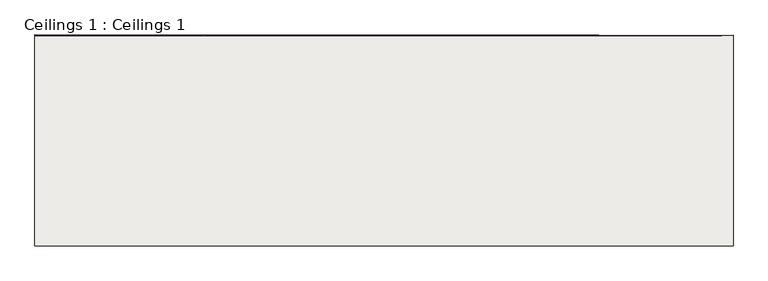
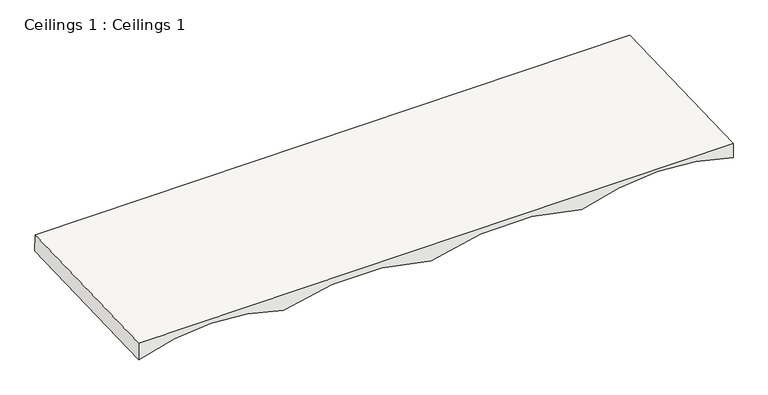
"""IFC4 building model written with IfcOpenShell, lengths in millimetres: covering geometry, Ceilings 1 : Ceilings 1."""

from ifc_helpers import new_model, si_unit, frame, origin, place, context, project, spatial, polyline, circle_curve, ellipse_curve, source, transform, mapped, element, save
from ifc_brep_helpers import plane_surface, revolved_surface, advanced_brep


def ceilings_1_ceilings_1_17a92733(model_context):
    return source(origin(), model_context, "Body", "AdvancedBrep", [
        advanced_brep(
        [(-7047.8475882, -10720.1188981, -11850.1602803), (-8809.9725882, -10719.563362, -11866.0687522), (-10540.3475882, -10719.3097294, -11873.3318382), (-12229.533423, -10718.5102064, -11896.2271821), (-12229.533423, -10725.6017841, -11693.1509661), (-5275.2178589, -10726.9241064, -11655.2846097), (-5275.2178589, -10720.9363106, -11826.7526492), (-7047.8475882, -12822.1748984, -11923.5656934), (-8809.9725882, -12822.1748984, -11939.493565), (-10540.3475882, -12822.1748984, -11946.765508), (-12229.533423, -12822.1748984, -11969.6887719), (-12229.533423, -12822.1748984, -11766.3649125), (-5275.2178589, -12822.1748984, -11728.4523797), (-5275.2178589, -12822.1748984, -11900.1295175)],
        [
            (0, 1, circle_curve(frame((-7904.2245941, -10624.4727084, -14589.1087943), z_axis=(0.0, -0.9993908270190958, -0.03489949670250061), x_axis=(-1.0, 0.0, 0.0)), 2871.300878)),
            (1, 2, circle_curve(frame((-9663.5082698, -10622.6160549, -14642.2763922), z_axis=(0.0, -0.9993908270190958, -0.03489949670250061), x_axis=(-1.0, 0.0, 0.0)), 2906.0713687)),
            (2, 3, circle_curve(frame((-11352.063648, -10634.3090485, -14307.4328658), z_axis=(0.0, -0.9993908270190958, -0.03489949670250061), x_axis=(-1.0, 0.0, 0.0)), 2567.2857048)),
            (3, 4),
            (4, 5),
            (5, 6),
            (6, 0, circle_curve(frame((-6127.5237325, -10630.7002034, -14410.7766676), z_axis=(0.0, -0.9993908270190958, -0.03489949670250061), x_axis=(-1.0, 0.0, 0.0)), 2722.452568)),
            (0, 7),
            (7, 8, ellipse_curve(frame((-7904.2245941, -12822.1748984, -14665.8542459), z_axis=(0.0, -1.0, 0.0), x_axis=(0.0, 0.0, -1.0)), 2873.0510631, 2871.300878)),
            (8, 1),
            (8, 9, ellipse_curve(frame((-9663.5082698, -12822.1748984, -14719.0866795), z_axis=(0.0, -1.0, 0.0), x_axis=(0.0, 0.0, -1.0)), 2907.8427479, 2906.0713687)),
            (9, 2),
            (9, 10, ellipse_curve(frame((-11352.063648, -12822.1748984, -14383.8348248), z_axis=(0.0, -1.0, 0.0), x_axis=(0.0, 0.0, -1.0)), 2568.8505792, 2567.2857048)),
            (10, 3),
            (10, 11),
            (11, 4),
            (11, 12),
            (12, 5),
            (12, 13),
            (13, 6),
            (13, 7, ellipse_curve(frame((-6127.5237325, -12822.1748984, -14487.3046502), z_axis=(0.0, -1.0, 0.0), x_axis=(0.0, 0.0, -1.0)), 2724.1120234, 2722.452568)),
        ],
        [
            plane_surface(frame((-10775.5254721, -10624.4727084, -14589.1087943), z_axis=(0.0, 0.9993908270190958, 0.03489949670250061), x_axis=(0.0, 0.03489949670250061, -0.9993908270190958))),
            revolved_surface(polyline([(-10775.5254721, -12922.3818539246, -14669.35354988767), (-10775.5254721, -10624.472708372929, -14589.108794302883)]), (-7904.2245941, -12743.7981492, -14663.1172695), (0.0, -0.9993908270190958, -0.03489949670250061)),
            revolved_surface(polyline([(-12569.579638500001, -12923.595326545952, -14722.628358950771), (-12569.579638500001, -10622.616054894332, -14642.276392200138)]), (-9663.5082698, -12741.9414958, -14716.2848674), (0.0, -0.9993908270190958, -0.03489949670250061)),
            revolved_surface(polyline([(-13919.3493528, -12911.77187738945, -14386.963620274006), (-13919.3493528, -10634.309048495548, -14307.43286580018)]), (-11352.063648, -12753.6344894, -14381.441341), (0.0, -0.9993908270190958, -0.03489949670250061)),
            plane_surface(frame((-12229.533423, -10718.5102064, -11896.2271821), z_axis=(-1.0, 0.0, 0.0), x_axis=(0.0, -0.9993908270190958, -0.03489949670250081))),
            plane_surface(frame((-12229.533423, -10725.6017841, -11693.1509661), z_axis=(-0.005448253657022499, -0.034898978729611715, 0.9993759942162503), x_axis=(0.0, -0.9993908270190958, -0.03489949670250081))),
            plane_surface(frame((-5275.2178589, -10726.9241064, -11655.2846097), z_axis=(1.0, 0.0, 0.0), x_axis=(0.0, -0.9993908270190958, -0.03489949670250081))),
            revolved_surface(polyline([(-8849.9763005, -12917.187122815687, -14490.622550259146), (-8849.9763005, -10630.700203399989, -14410.776667600334)]), (-6127.5237325, -12750.0256443, -14484.7851428), (0.0, -0.9993908270190958, -0.03489949670250061)),
            plane_surface(frame((-5808.3376016, -12822.1748984, -14184.5678749), z_axis=(0.0, -1.0, 0.0), x_axis=(-1.0, 0.0, 0.0))),
        ],
        [
            (0, [[1, 2, 3, 4, 5, 6, 7]]),
            (1, [[-1, 8, 9, 10]]),
            (2, [[-2, -10, 11, 12]]),
            (3, [[-3, -12, 13, 14]]),
            (4, [[-4, -14, 15, 16]]),
            (5, [[-5, -16, 17, 18]]),
            (6, [[-6, -18, 19, 20]]),
            (7, [[-7, -20, 21, -8]]),
            (8, [[-9, -21, -19, -17, -15, -13, -11]]),
        ],
    ),
    ])


if __name__ == "__main__":
    model = new_model("IFC4")
    model_context = context("Model", 3, world=origin())
    ifc_project = project(units=[si_unit("LENGTHUNIT", "METRE", prefix="MILLI")], contexts=[model_context])
    site = spatial("IfcSite", under=ifc_project)
    building = spatial("IfcBuilding", under=site)
    placement = place(None, origin())
    ceilings_1_ceilings_1_shape = ceilings_1_ceilings_1_17a92733(model_context)
    element("IfcCovering", 1, ObjectType="Ceilings 1 : Ceilings 1", at=placement, inside=building, context=model_context, shape_type="MappedRepresentation", body=[
        mapped(ceilings_1_ceilings_1_shape, transform((0.0, 0.0, 0.0), x_axis=(1.0, 0.0, 0.0), y_axis=(0.0, 1.0, 0.0), z_axis=(0.0, 0.0, 1.0))),
    ])
    save(model, "model.ifc")
